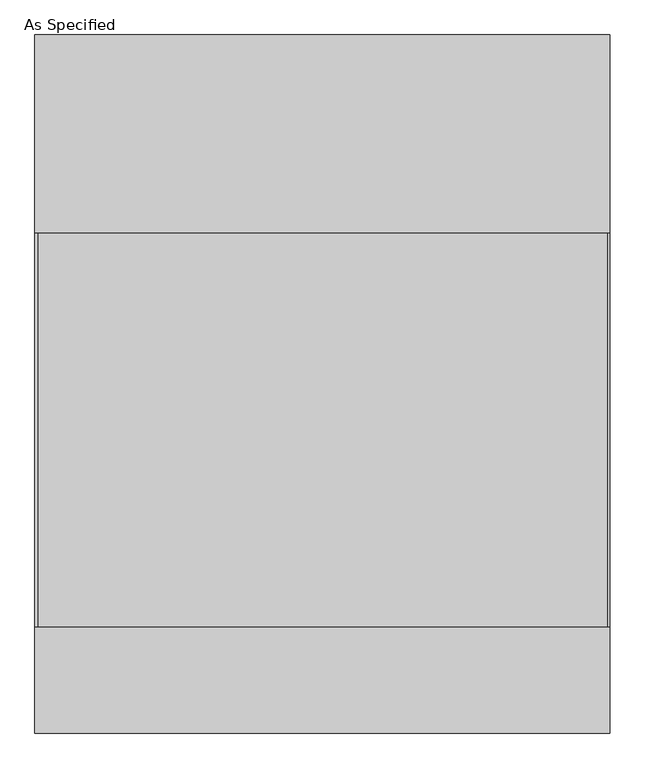
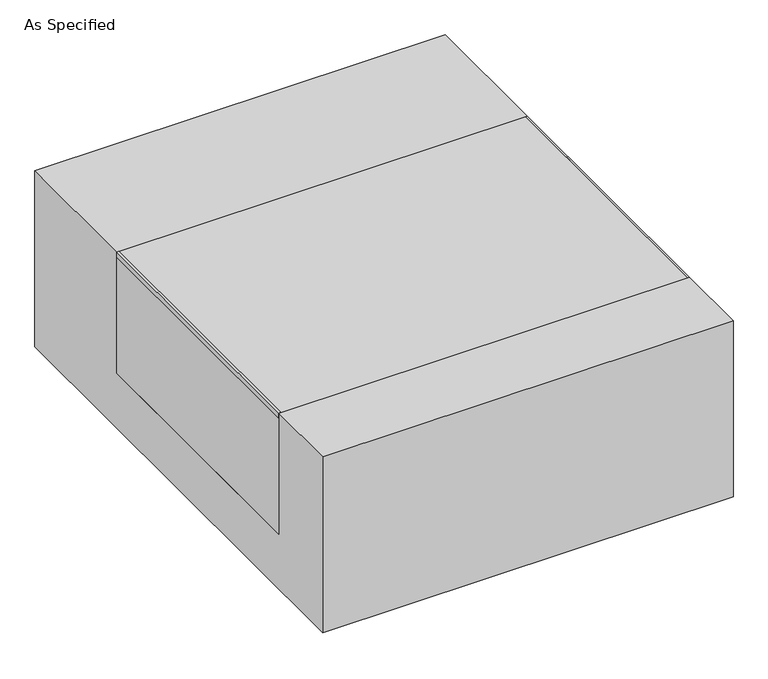
"""IFC4 building model written with IfcOpenShell, lengths in millimetres: proxy geometry, As Specified."""

from ifc_helpers import new_model, si_unit, point, frame, frame_2d, origin, place, context, project, spatial, polyline, circle_curve, trimmed, segment, composite_curve, outline, extrude, source, transform, mapped, element, save


def as_specified_2bb45d24(model_context):
    return source(origin(), model_context, "Body", "SweptSolid", [
        extrude(outline(composite_curve([segment(trimmed(circle_curve(frame_2d((237.2125, -626.275)), 10.5), [point((237.2125, -636.775))], [point((237.2125, -615.775))], False, "CARTESIAN"), True, "CONTINUOUS"), segment(trimmed(circle_curve(frame_2d((237.2125, -626.275)), 10.5), [point((237.2125, -615.775))], [point((237.2125, -636.775))], False, "CARTESIAN"), True, "CONTINUOUS")], self_intersect=False)), frame((0.0, 0.0, -562.225), z_axis=(0.0, 0.0, 1.0), x_axis=(1.0, 0.0, 0.0)), (0.0, 0.0, 1.0), 32.0),
        extrude(outline(polyline([(-551.65625, -469.9), (-557.2125, -469.9), (-557.2125, 292.1), (-551.65625, 292.1), (-551.65625, -469.9)])), frame((0.0, 0.0, -39.6875), z_axis=(0.0, 0.0, 1.0), x_axis=(1.0, 0.0, 0.0)), (0.0, 0.0, 1.0), 14.2875),
        extrude(outline(polyline([(553.24375, 292.1), (557.2125, 292.1), (557.2125, -469.9), (553.24375, -469.9), (553.24375, 292.1)])), frame((0.0, 0.0, -39.6875), z_axis=(0.0, 0.0, 1.0), x_axis=(1.0, 0.0, 0.0)), (0.0, 0.0, 1.0), 14.2875),
        extrude(outline(polyline([(557.2125, 292.1), (557.2125, -469.9), (-557.2125, -469.9), (-557.2125, 292.1), (557.2125, 292.1)])), frame((0.0, 0.0, -373.0625), z_axis=(0.0, 0.0, 1.0), x_axis=(1.0, 0.0, 0.0)), (0.0, 0.0, 1.0), 347.6625),
        extrude(outline(polyline([(676.275, -25.4), (676.275, -530.225), (-676.275, -530.225), (-676.275, -25.4), (-469.9, -25.4), (-469.9, -373.0625), (292.1, -373.0625), (292.1, -25.4), (676.275, -25.4)])), frame((-557.2125, 0.0, 0.0), z_axis=(1.0, 0.0, 0.0), x_axis=(0.0, 1.0, 0.0)), (0.0, 0.0, 1.0), 1114.425),
    ])


if __name__ == "__main__":
    model = new_model("IFC4")
    model_context = context("Model", 3, world=origin())
    ifc_project = project(units=[si_unit("LENGTHUNIT", "METRE", prefix="MILLI")], contexts=[model_context])
    site = spatial("IfcSite", under=ifc_project)
    building = spatial("IfcBuilding", under=site)
    placement = place(None, origin())
    as_specified_shape = as_specified_2bb45d24(model_context)
    element("IfcBuildingElementProxy", 1, Name="As Specified", ObjectType="As Specified", at=placement, inside=building, context=model_context, shape_type="MappedRepresentation", body=[
        mapped(as_specified_shape, transform((0.0, 0.0, 0.0), x_axis=(1.0, 0.0, 0.0), y_axis=(0.0, 1.0, 0.0), z_axis=(0.0, 0.0, 1.0))),
    ])
    save(model, "model.ifc")
